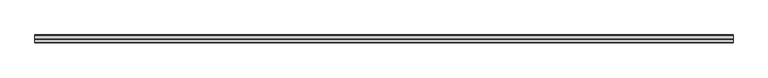
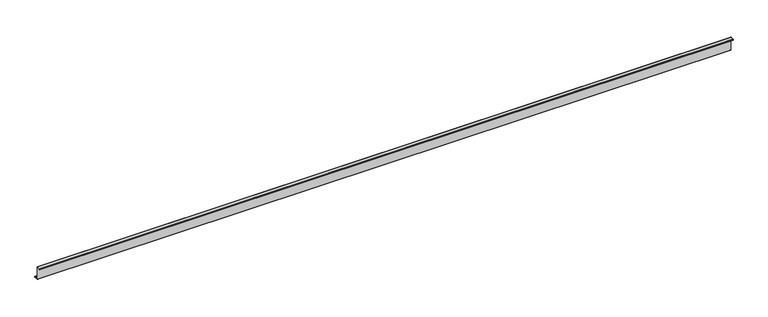
"""IFC4 building model written with IfcOpenShell, lengths in millimetres: member geometry."""

from ifc_helpers import new_model, si_unit, point, frame, frame_2d, origin, place, context, project, spatial, polyline, circle_curve, trimmed, segment, composite_curve, outline, extrude, source, transform, mapped, element, save


def member_c67ee65f(model_context):
    return source(origin(), model_context, "Body", "SweptSolid", [
        extrude(outline(composite_curve([segment(polyline([(0.0, -123.5), (0.0, 123.5)]), True, "CONTINUOUS"), segment(trimmed(circle_curve(frame_2d((-2.0, 123.5)), 2.0), [point((0.0, 123.5))], [point((-2.0, 125.5))], True, "CARTESIAN"), True, "CONTINUOUS"), segment(polyline([(-2.0, 125.5), (-63.5, 125.5)]), True, "CONTINUOUS"), segment(trimmed(circle_curve(frame_2d((-63.5, 123.5)), 2.0), [point((-63.5, 125.5))], [point((-65.5, 123.5))], True, "CARTESIAN"), True, "CONTINUOUS"), segment(polyline([(-65.5, 123.5), (-65.5, 107.0), (-67.0, 107.0), (-67.0, 123.5)]), True, "CONTINUOUS"), segment(trimmed(circle_curve(frame_2d((-63.5, 123.5)), 3.5), [point((-67.0, 123.5))], [point((-63.5, 127.0))], False, "CARTESIAN"), True, "CONTINUOUS"), segment(polyline([(-63.5, 127.0), (-2.0, 127.0)]), True, "CONTINUOUS"), segment(trimmed(circle_curve(frame_2d((-2.0, 123.5)), 3.5), [point((-2.0, 127.0))], [point((1.5, 123.5))], False, "CARTESIAN"), True, "CONTINUOUS"), segment(polyline([(1.5, 123.5), (1.5, -123.5)]), True, "CONTINUOUS"), segment(trimmed(circle_curve(frame_2d((3.5, -123.5)), 2.0), [point((1.5, -123.5))], [point((3.5, -125.5))], True, "CARTESIAN"), True, "CONTINUOUS"), segment(polyline([(3.5, -125.5), (75.0, -125.5)]), True, "CONTINUOUS"), segment(trimmed(circle_curve(frame_2d((75.0, -123.5)), 2.0), [point((75.0, -125.5))], [point((77.0, -123.5))], True, "CARTESIAN"), True, "CONTINUOUS"), segment(polyline([(77.0, -123.5), (77.0, -107.5), (78.5, -107.5), (78.5, -123.5)]), True, "CONTINUOUS"), segment(trimmed(circle_curve(frame_2d((75.0, -123.5)), 3.5), [point((78.5, -123.5))], [point((75.0, -127.0))], False, "CARTESIAN"), True, "CONTINUOUS"), segment(polyline([(75.0, -127.0), (3.5, -127.0)]), True, "CONTINUOUS"), segment(trimmed(circle_curve(frame_2d((3.5, -123.5)), 3.5), [point((3.5, -127.0))], [point((0.0, -123.5))], False, "CARTESIAN"), True, "CONTINUOUS")], self_intersect=False)), frame((-6400.0, 0.0, 0.0), z_axis=(1.0, 0.0, 0.0), x_axis=(0.0, 1.0, 0.0)), (0.0, 0.0, 1.0), 12800.0),
    ])


if __name__ == "__main__":
    model = new_model("IFC4")
    model_context = context("Model", 3, world=origin())
    ifc_project = project(units=[si_unit("LENGTHUNIT", "METRE", prefix="MILLI")], contexts=[model_context])
    site = spatial("IfcSite", under=ifc_project)
    building = spatial("IfcBuilding", under=site)
    placement = place(None, origin())
    member_shape = member_c67ee65f(model_context)
    element("IfcMember", 1, at=placement, inside=building, context=model_context, shape_type="MappedRepresentation", body=[
        mapped(member_shape, transform((0.0, 0.0, 0.0), x_axis=(1.0, 0.0, 0.0), y_axis=(0.0, 1.0, 0.0), z_axis=(0.0, 0.0, 1.0))),
    ])
    save(model, "model.ifc")
